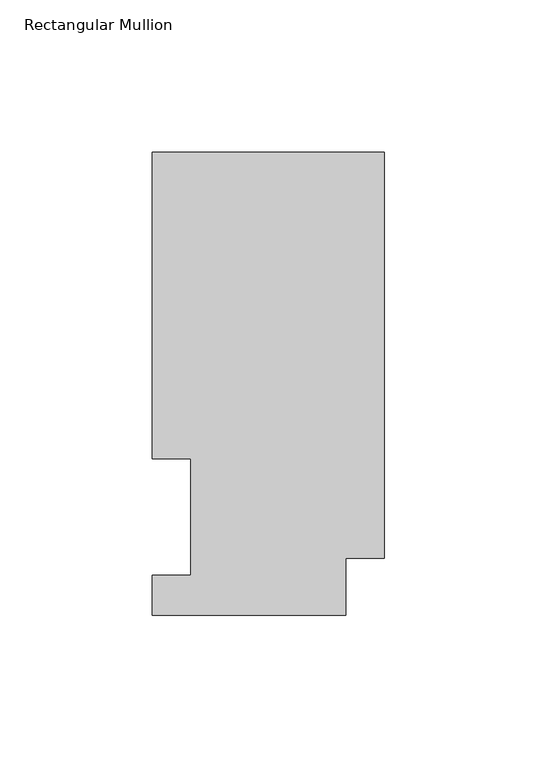
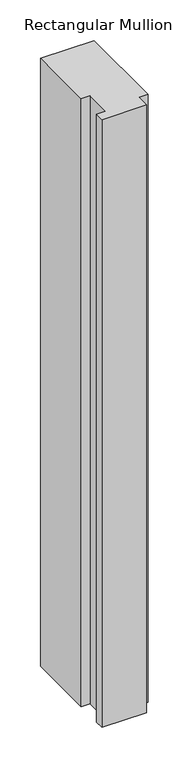
"""IFC4 building model written with IfcOpenShell, lengths in millimetres: member geometry, Rectangular Mullion."""

from ifc_helpers import new_model, si_unit, frame, origin, place, context, project, spatial, polyline, outline, extrude, source, transform, mapped, element, save


def rectangular_mullion_90420adc(model_context):
    return source(origin(), model_context, "Body", "SweptSolid", [
        extrude(outline(polyline([(0.0, 151.9816938), (0.0, 18.7332938), (-12.7, 18.7332938), (-12.7, 0.0134937), (-76.2, 0.0134937), (-76.2, 13.1960937), (-63.5, 13.1960937), (-63.5, 51.2960937), (-76.2, 51.2960937), (-76.2, 151.9816937), (0.0, 151.9816938)])), frame((0.0, 0.0, -914.4), z_axis=(0.0, 0.0, 1.0), x_axis=(1.0, 0.0, 0.0)), (0.0, 0.0, 1.0), 914.4),
    ])


if __name__ == "__main__":
    model = new_model("IFC4")
    model_context = context("Model", 3, world=origin())
    ifc_project = project(units=[si_unit("LENGTHUNIT", "METRE", prefix="MILLI")], contexts=[model_context])
    site = spatial("IfcSite", under=ifc_project)
    building = spatial("IfcBuilding", under=site)
    placement = place(None, origin())
    rectangular_mullion_shape = rectangular_mullion_90420adc(model_context)
    element("IfcMember", 1, ObjectType="Rectangular Mullion", at=placement, inside=building, context=model_context, shape_type="MappedRepresentation", body=[
        mapped(rectangular_mullion_shape, transform((0.0, 0.0, 0.0), x_axis=(1.0, 0.0, 0.0), y_axis=(0.0, 1.0, 0.0), z_axis=(0.0, 0.0, 1.0))),
    ])
    save(model, "model.ifc")
